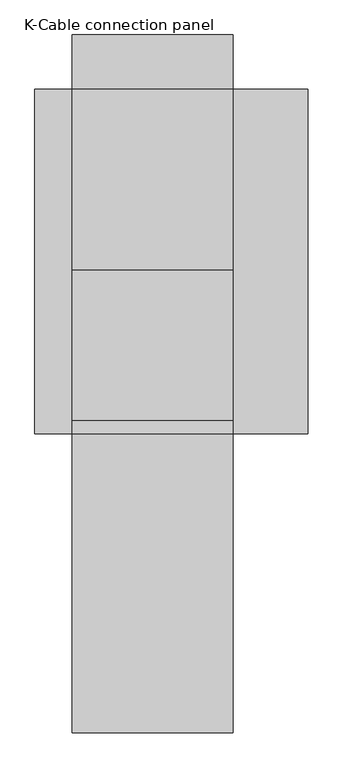
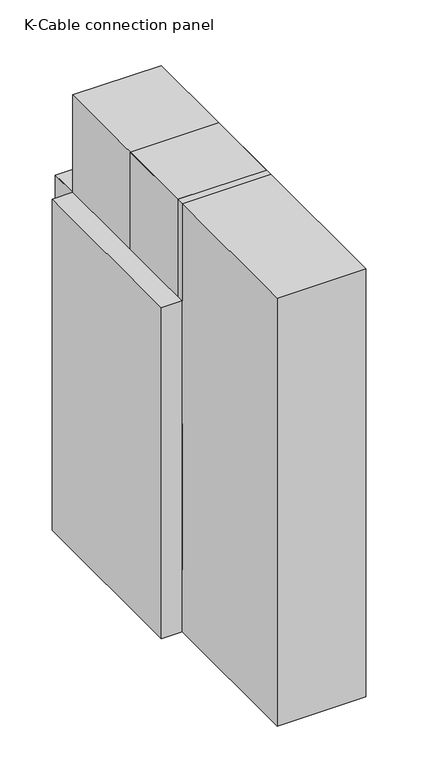
"""IFC4 building model written with IfcOpenShell, lengths in millimetres: proxy geometry, K-Cable connection panel."""

from ifc_helpers import new_model, si_unit, frame, origin, origin_with_axes, place, context, project, spatial, polyline, circle_curve, outline, extrude, faceted_brep, source, transform, mapped, element, save
from ifc_brep_helpers import plane_surface, revolved_surface, advanced_brep


def k_cable_connection_panel_4c0c79d9(model_context):
    return source(origin(), model_context, "Body", "SolidModel", [
        faceted_brep([(430.0, 325.0, 0.0), (430.0, 325.0, 1070.0), (430.0, 61.0, 1070.0), (430.0, 61.0, 0.0), (0.0, 325.0, 0.0), (0.0, 61.0, 0.0), (0.0, 61.0, 1070.0), (0.0, 325.0, 1070.0), (40.0, 101.0, 0.0), (390.0, 101.0, 0.0), (390.0, 315.0, 0.0), (40.0, 315.0, 0.0), (40.0, 101.0, 10.0), (40.0, 315.0, 10.0), (390.0, 315.0, 10.0), (390.0, 101.0, 10.0)], [[[0, 1, 2, 3]], [[4, 5, 6, 7]], [[1, 0, 4, 7]], [[2, 1, 7, 6]], [[3, 2, 6, 5]], [[0, 3, 5, 4], [8, 9, 10, 11]], [[12, 13, 14, 15]], [[12, 15, 9, 8]], [[15, 14, 10, 9]], [[14, 13, 11, 10]], [[13, 12, 8, 11]]]),
        extrude(outline(polyline([(430.0, 59.0), (430.0, 0.0), (0.0, 0.0), (0.0, 59.0), (430.0, 59.0)])), frame((0.0, 0.0, 320.0), z_axis=(0.0, 0.0, 1.0), x_axis=(1.0, 0.0, 0.0)), (0.0, 0.0, 1.0), 750.0),
        advanced_brep(
        [(430.0, 325.0, 1350.0), (430.0, 920.0, 1350.0), (430.0, 920.0, 1600.0), (430.0, 325.0, 1600.0), (430.0, 503.75, 1475.0), (430.0, 383.75, 1475.0), (430.0, 682.5, 1475.0), (430.0, 562.5, 1475.0), (430.0, 861.25, 1475.0), (430.0, 741.25, 1475.0), (0.0, 325.0, 1350.0), (0.0, 325.0, 1600.0), (0.0, 920.0, 1600.0), (0.0, 920.0, 1350.0), (0.0, 741.25, 1475.0), (0.0, 861.25, 1475.0), (0.0, 562.5, 1475.0), (0.0, 682.5, 1475.0), (0.0, 383.75, 1475.0), (0.0, 503.75, 1475.0), (5.0, 741.25, 1475.0), (5.0, 861.25, 1475.0), (5.0, 562.5, 1475.0), (5.0, 682.5, 1475.0), (5.0, 383.75, 1475.0), (5.0, 503.75, 1475.0), (425.0, 503.75, 1475.0), (425.0, 383.75, 1475.0), (425.0, 682.5, 1475.0), (425.0, 562.5, 1475.0), (425.0, 861.25, 1475.0), (425.0, 741.25, 1475.0)],
        [
            (0, 1),
            (1, 2),
            (2, 3),
            (3, 0),
            (4, 5, circle_curve(frame((430.0, 443.75, 1475.0), z_axis=(-1.0, 0.0, 0.0), x_axis=(0.0, -1.0, 0.0)), 60.0)),
            (5, 4, circle_curve(frame((430.0, 443.75, 1475.0), z_axis=(-1.0, 0.0, 0.0), x_axis=(0.0, -1.0, 0.0)), 60.0)),
            (6, 7, circle_curve(frame((430.0, 622.5, 1475.0), z_axis=(-1.0, 0.0, 0.0), x_axis=(0.0, -1.0, 0.0)), 60.0)),
            (7, 6, circle_curve(frame((430.0, 622.5, 1475.0), z_axis=(-1.0, 0.0, 0.0), x_axis=(0.0, -1.0, 0.0)), 60.0)),
            (8, 9, circle_curve(frame((430.0, 801.25, 1475.0), z_axis=(-1.0, 0.0, 0.0), x_axis=(0.0, -1.0, 0.0)), 60.0)),
            (9, 8, circle_curve(frame((430.0, 801.25, 1475.0), z_axis=(-1.0, 0.0, 0.0), x_axis=(0.0, -1.0, 0.0)), 60.0)),
            (10, 11),
            (11, 12),
            (12, 13),
            (13, 10),
            (14, 15, circle_curve(frame((0.0, 801.25, 1475.0), z_axis=(1.0, 0.0, 0.0), x_axis=(0.0, 1.0, 0.0)), 60.0)),
            (15, 14, circle_curve(frame((0.0, 801.25, 1475.0), z_axis=(1.0, 0.0, 0.0), x_axis=(0.0, 1.0, 0.0)), 60.0)),
            (16, 17, circle_curve(frame((0.0, 622.5, 1475.0), z_axis=(1.0, 0.0, 0.0), x_axis=(0.0, 1.0, 0.0)), 60.0)),
            (17, 16, circle_curve(frame((0.0, 622.5, 1475.0), z_axis=(1.0, 0.0, 0.0), x_axis=(0.0, 1.0, 0.0)), 60.0)),
            (18, 19, circle_curve(frame((0.0, 443.75, 1475.0), z_axis=(1.0, 0.0, 0.0), x_axis=(0.0, 1.0, 0.0)), 60.0)),
            (19, 18, circle_curve(frame((0.0, 443.75, 1475.0), z_axis=(1.0, 0.0, 0.0), x_axis=(0.0, 1.0, 0.0)), 60.0)),
            (0, 10),
            (13, 1),
            (12, 2),
            (11, 3),
            (20, 21, circle_curve(frame((5.0, 801.25, 1475.0), z_axis=(-1.0, 0.0, 0.0), x_axis=(0.0, 1.0, 0.0)), 60.0)),
            (21, 20, circle_curve(frame((5.0, 801.25, 1475.0), z_axis=(-1.0, 0.0, 0.0), x_axis=(0.0, 1.0, 0.0)), 60.0)),
            (22, 23, circle_curve(frame((5.0, 622.5, 1475.0), z_axis=(-1.0, 0.0, 0.0), x_axis=(0.0, 1.0, 0.0)), 60.0)),
            (23, 22, circle_curve(frame((5.0, 622.5, 1475.0), z_axis=(-1.0, 0.0, 0.0), x_axis=(0.0, 1.0, 0.0)), 60.0)),
            (24, 25, circle_curve(frame((5.0, 443.75, 1475.0), z_axis=(-1.0, 0.0, 0.0), x_axis=(0.0, 1.0, 0.0)), 60.0)),
            (25, 24, circle_curve(frame((5.0, 443.75, 1475.0), z_axis=(-1.0, 0.0, 0.0), x_axis=(0.0, 1.0, 0.0)), 60.0)),
            (21, 15),
            (14, 20),
            (23, 17),
            (16, 22),
            (25, 19),
            (18, 24),
            (26, 27, circle_curve(frame((425.0, 443.75, 1475.0), z_axis=(1.0, 0.0, 0.0), x_axis=(0.0, -1.0, 0.0)), 60.0)),
            (27, 26, circle_curve(frame((425.0, 443.75, 1475.0), z_axis=(1.0, 0.0, 0.0), x_axis=(0.0, -1.0, 0.0)), 60.0)),
            (28, 29, circle_curve(frame((425.0, 622.5, 1475.0), z_axis=(1.0, 0.0, 0.0), x_axis=(0.0, -1.0, 0.0)), 60.0)),
            (29, 28, circle_curve(frame((425.0, 622.5, 1475.0), z_axis=(1.0, 0.0, 0.0), x_axis=(0.0, -1.0, 0.0)), 60.0)),
            (30, 31, circle_curve(frame((425.0, 801.25, 1475.0), z_axis=(1.0, 0.0, 0.0), x_axis=(0.0, -1.0, 0.0)), 60.0)),
            (31, 30, circle_curve(frame((425.0, 801.25, 1475.0), z_axis=(1.0, 0.0, 0.0), x_axis=(0.0, -1.0, 0.0)), 60.0)),
            (27, 5),
            (4, 26),
            (29, 7),
            (6, 28),
            (31, 9),
            (8, 30),
        ],
        [
            plane_surface(frame((430.0, 920.0, 1350.0), z_axis=(1.0, 0.0, 0.0), x_axis=(0.0, 1.0, 0.0))),
            plane_surface(frame((0.0, 920.0, 1350.0), z_axis=(-1.0, 0.0, 0.0), x_axis=(0.0, -1.0, 0.0))),
            plane_surface(frame((430.0, 325.0, 1350.0), z_axis=(0.0, 0.0, -1.0), x_axis=(-1.0, 0.0, 0.0))),
            plane_surface(frame((430.0, 920.0, 1350.0), z_axis=(0.0, 1.0, 0.0), x_axis=(-1.0, 0.0, 0.0))),
            plane_surface(frame((430.0, 920.0, 1600.0), z_axis=(0.0, 0.0, 1.0), x_axis=(-1.0, 0.0, 0.0))),
            plane_surface(frame((430.0, 325.0, 1600.0), z_axis=(0.0, -1.0, 0.0), x_axis=(-1.0, 0.0, 0.0))),
            plane_surface(frame((5.0, 861.25, 1475.0), z_axis=(-1.0, 0.0, 0.0), x_axis=(0.0, 0.0, 1.0))),
            revolved_surface(polyline([(5.0, 861.25, 1475.0), (0.0, 861.25, 1475.0)]), (0.0, 801.25, 1475.0), (1.0, 0.0, 0.0)),
            revolved_surface(polyline([(5.0, 682.5, 1475.0), (0.0, 682.5, 1475.0)]), (0.0, 622.5, 1475.0), (1.0, 0.0, 0.0)),
            revolved_surface(polyline([(5.0, 503.75, 1475.0), (0.0, 503.75, 1475.0)]), (0.0, 443.75, 1475.0), (1.0, 0.0, 0.0)),
            plane_surface(frame((425.0, 383.75, 1475.0), z_axis=(1.0, 0.0, 0.0), x_axis=(0.0, 0.0, 1.0))),
            revolved_surface(polyline([(425.0, 383.75, 1475.0), (430.0, 383.75, 1475.0)]), (430.0, 443.75, 1475.0), (-1.0, 0.0, 0.0)),
            revolved_surface(polyline([(425.0, 562.5, 1475.0), (430.0, 562.5, 1475.0)]), (430.0, 622.5, 1475.0), (-1.0, 0.0, 0.0)),
            revolved_surface(polyline([(425.0, 741.25, 1475.0), (430.0, 741.25, 1475.0)]), (430.0, 801.25, 1475.0), (-1.0, 0.0, 0.0)),
        ],
        [
            (0, [[1, 2, 3, 4], [5, 6], [7, 8], [9, 10]]),
            (1, [[11, 12, 13, 14], [15, 16], [17, 18], [19, 20]]),
            (2, [[-1, 21, -14, 22]]),
            (3, [[-2, -22, -13, 23]]),
            (4, [[-3, -23, -12, 24]]),
            (5, [[-4, -24, -11, -21]]),
            (6, [[25, 26]]),
            (6, [[27, 28]]),
            (6, [[29, 30]]),
            (7, [[-26, 31, -15, 32]]),
            (7, [[-25, -32, -16, -31]]),
            (8, [[-28, 33, -17, 34]]),
            (8, [[-27, -34, -18, -33]]),
            (9, [[-30, 35, -19, 36]]),
            (9, [[-29, -36, -20, -35]]),
            (10, [[37, 38]]),
            (10, [[39, 40]]),
            (10, [[41, 42]]),
            (11, [[-38, 43, -5, 44]]),
            (11, [[-37, -44, -6, -43]]),
            (12, [[-40, 45, -7, 46]]),
            (12, [[-39, -46, -8, -45]]),
            (13, [[-42, 47, -9, 48]]),
            (13, [[-41, -48, -10, -47]]),
        ],
    ),
        extrude(outline(polyline([(430.0, 325.0), (430.0, 36.0), (0.0, 36.0), (0.0, 325.0), (430.0, 325.0)])), frame((0.0, 0.0, 1070.0), z_axis=(0.0, 0.0, 1.0), x_axis=(1.0, 0.0, 0.0)), (0.0, 0.0, 1.0), 530.0),
        extrude(outline(polyline([(430.0, 920.0), (430.0, 325.0), (0.0, 325.0), (0.0, 920.0), (430.0, 920.0)])), frame((0.0, 0.0, 800.0), z_axis=(0.0, 0.0, 1.0), x_axis=(1.0, 0.0, 0.0)), (0.0, 0.0, 1.0), 550.0),
        extrude(outline(polyline([(430.0, 920.0), (430.0, 325.0), (0.0, 325.0), (0.0, 920.0), (430.0, 920.0)])), origin_with_axes(), (0.0, 0.0, 1.0), 800.0),
        extrude(outline(polyline([(336.0, 1600.0), (36.0, 1600.0), (36.0, 2200.0), (436.0, 2200.0), (436.0, 1700.0), (336.0, 1600.0)])), frame((0.0, 0.0, 0.0), z_axis=(1.0, 0.0, 0.0), x_axis=(0.0, 1.0, 0.0)), (0.0, 0.0, 1.0), 430.0),
        extrude(outline(polyline([(430.0, 920.0), (430.0, 0.0), (0.0, 0.0), (0.0, 920.0), (430.0, 920.0)])), frame((0.0, 0.0, 1700.0), z_axis=(0.0, 0.0, 1.0), x_axis=(1.0, 0.0, 0.0)), (0.0, 0.0, 1.0), 500.0),
        extrude(outline(polyline([(430.0, 1065.0), (430.0, 920.0), (0.0, 920.0), (0.0, 1065.0), (430.0, 1065.0)])), origin_with_axes(), (0.0, 0.0, 1.0), 1700.0),
        extrude(outline(polyline([(630.0, 920.0), (630.0, 0.0), (430.0, 0.0), (430.0, 920.0), (630.0, 920.0)])), origin_with_axes(), (0.0, 0.0, 1.0), 1700.0),
        extrude(outline(polyline([(0.0, 920.0), (0.0, 0.0), (-100.0, 0.0), (-100.0, 920.0), (0.0, 920.0)])), origin_with_axes(), (0.0, 0.0, 1.0), 1700.0),
        extrude(outline(polyline([(1035.0, 0.0), (920.0, 0.0), (920.0, 1600.0), (675.0, 1600.0), (675.0, 1700.0), (1035.0, 1700.0), (1035.0, 0.0)])), frame((0.0, 0.0, 0.0), z_axis=(1.0, 0.0, 0.0), x_axis=(0.0, 1.0, 0.0)), (0.0, 0.0, 1.0), 430.0),
        extrude(outline(polyline([(430.0, 0.0), (430.0, -800.0), (0.0, -800.0), (0.0, 0.0), (430.0, 0.0)])), origin_with_axes(), (0.0, 0.0, 1.0), 2200.0),
    ])


if __name__ == "__main__":
    model = new_model("IFC4")
    model_context = context("Model", 3, world=origin())
    ifc_project = project(units=[si_unit("LENGTHUNIT", "METRE", prefix="MILLI")], contexts=[model_context])
    site = spatial("IfcSite", under=ifc_project)
    building = spatial("IfcBuilding", under=site)
    placement = place(None, origin())
    k_cable_connection_panel_shape = k_cable_connection_panel_4c0c79d9(model_context)
    element("IfcBuildingElementProxy", 1, Name="K-Cable connection panel", ObjectType="K-Cable connection panel", at=placement, inside=building, context=model_context, shape_type="MappedRepresentation", body=[
        mapped(k_cable_connection_panel_shape, transform((0.0, 0.0, 0.0), x_axis=(1.0, 0.0, 0.0), y_axis=(0.0, 1.0, 0.0), z_axis=(0.0, 0.0, 1.0))),
    ])
    save(model, "model.ifc")
